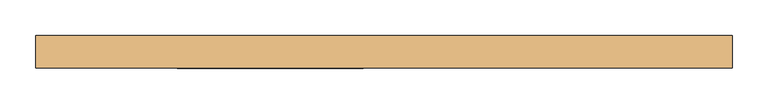
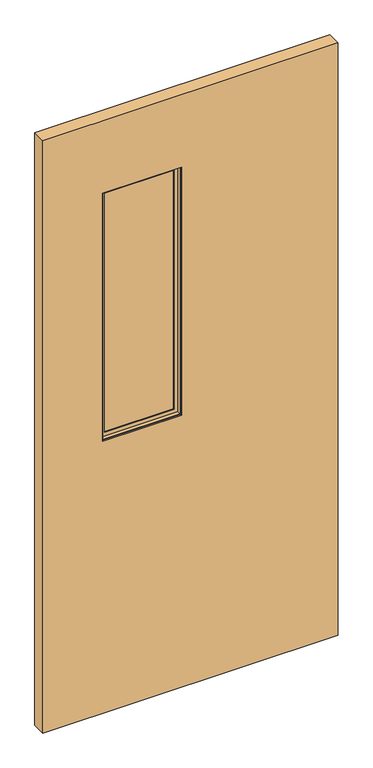
"""IFC4 building model written with IfcOpenShell, lengths in millimetres: door geometry."""

from ifc_helpers import new_model, si_unit, frame, origin, place, context, project, spatial, polyline, outline, extrude, faceted_brep, source, transform, mapped, element, save


def door_36adff39(model_context):
    return source(origin(), model_context, "Body", "SolidModel", [
        extrude(outline(polyline([(-29.4464326, -3.175), (-291.0664326, -3.175), (-291.0664326, 3.175), (-29.4464326, 3.175), (-29.4464326, -3.175)])), frame((0.0, 0.0, 968.7435027), z_axis=(0.0, 0.0, 1.0), x_axis=(1.0, 0.0, 0.0)), (0.0, 0.0, 1.0), 871.22),
        faceted_brep([(-275.1758536, 3.797467, 1824.0729238), (-275.1758536, 3.797467, 984.6340817), (-275.1758536, 6.9755828, 984.6340817), (-275.1758536, 6.9755828, 1824.0729238), (-45.3370115, 3.797467, 984.6340817), (-45.3370115, 6.9755828, 984.6340817), (-32.6245484, 6.9755828, 971.9216185), (-287.8883168, 6.9755828, 971.9216185), (-287.8883168, 6.9755828, 1836.7853869), (-32.6245484, 6.9755828, 1836.7853869), (-45.3370115, 6.9755828, 1824.0729238), (-45.3370115, 3.797467, 1824.0729238), (-291.0664326, 3.797467, 968.7435027), (-29.4464326, 3.797467, 968.7435027), (-29.4464326, 3.797467, 1839.9635027), (-291.0664326, 3.797467, 1839.9635027), (-291.0664326, 19.688046, 1839.9635027), (-291.0664326, 19.688046, 968.7435027), (-29.4464326, 19.688046, 968.7435027), (-29.4464326, 19.688046, 1839.9635027), (-287.8883168, 19.688046, 971.9216185), (-32.6245484, 19.688046, 971.9216185), (-32.6245484, 19.688046, 1836.7853869), (-287.8883168, 19.688046, 1836.7853869)], [[[0, 1, 2, 3]], [[1, 4, 5, 2]], [[6, 7, 8, 9], [2, 5, 10, 3]], [[4, 11, 10, 5]], [[12, 13, 14, 15], [4, 1, 0, 11]], [[16, 17, 12, 15]], [[17, 18, 13, 12]], [[18, 19, 14, 13]], [[18, 17, 16, 19], [20, 21, 22, 23]], [[8, 7, 20, 23]], [[7, 6, 21, 20]], [[6, 9, 22, 21]], [[11, 0, 3, 10]], [[19, 16, 15, 14]], [[9, 8, 23, 22]]]),
        faceted_brep([(-287.8883168, -19.688046, 1836.7853869), (-287.8883168, -19.688046, 971.9216185), (-287.8883168, -6.9755828, 971.9216185), (-287.8883168, -6.9755828, 1836.7853869), (-32.6245484, -19.688046, 971.9216185), (-32.6245484, -6.9755828, 971.9216185), (-32.6245484, -6.9755828, 1836.7853869), (-45.3370115, -6.9755828, 984.6340817), (-275.1758536, -6.9755828, 984.6340817), (-275.1758536, -6.9755828, 1824.0729238), (-45.3370115, -6.9755828, 1824.0729238), (-32.6245484, -19.688046, 1836.7853869), (-291.0664326, -19.688046, 968.7435027), (-29.4464326, -19.688046, 968.7435027), (-29.4464326, -19.688046, 1839.9635027), (-291.0664326, -19.688046, 1839.9635027), (-291.0664326, -3.797467, 1839.9635027), (-291.0664326, -3.797467, 968.7435027), (-29.4464326, -3.797467, 968.7435027), (-29.4464326, -3.797467, 1839.9635027), (-275.1758536, -3.797467, 984.6340817), (-45.3370115, -3.797467, 984.6340817), (-45.3370115, -3.797467, 1824.0729238), (-275.1758536, -3.797467, 1824.0729238)], [[[0, 1, 2, 3]], [[1, 4, 5, 2]], [[2, 5, 6, 3], [7, 8, 9, 10]], [[4, 11, 6, 5]], [[12, 13, 14, 15], [4, 1, 0, 11]], [[16, 17, 12, 15]], [[17, 18, 13, 12]], [[18, 19, 14, 13]], [[18, 17, 16, 19], [20, 21, 22, 23]], [[9, 8, 20, 23]], [[8, 7, 21, 20]], [[7, 10, 22, 21]], [[11, 0, 3, 6]], [[19, 16, 15, 14]], [[10, 9, 23, 22]]]),
        extrude(outline(polyline([(2093.9635027, -490.4564326), (12.7, -490.4564326), (12.7, 490.4564326), (2093.9635027, 490.4564326), (2093.9635027, -490.4564326)]), holes=[polyline([(1839.9635027, -29.4464326), (968.7435027, -29.4464326), (968.7435027, -291.0664326), (1839.9635027, -291.0664326), (1839.9635027, -29.4464326)])]), frame((0.0, -23.114, 0.0), z_axis=(0.0, 1.0, 0.0), x_axis=(0.0, 0.0, 1.0)), (0.0, 0.0, 1.0), 46.228),
        extrude(outline(polyline([(465.0564326, 9.8925062), (-465.0564326, 9.8925062), (-465.0564326, 11.4927062), (465.0564326, 11.4927062), (465.0564326, 9.8925062)])), frame((0.0, 0.0, 12.7), z_axis=(0.0, 0.0, 1.0), x_axis=(1.0, 0.0, 0.0)), (0.0, 0.0, 1.0), 254.0),
        extrude(outline(polyline([(465.0564326, 21.5634094), (-465.0564326, 21.5634094), (-465.0564326, 23.114), (465.0564326, 23.114), (465.0564326, 21.5634094)])), frame((0.0, 0.0, 12.7), z_axis=(0.0, 0.0, 1.0), x_axis=(1.0, 0.0, 0.0)), (0.0, 0.0, 1.0), 254.0),
    ])


if __name__ == "__main__":
    model = new_model("IFC4")
    model_context = context("Model", 3, world=origin())
    ifc_project = project(units=[si_unit("LENGTHUNIT", "METRE", prefix="MILLI")], contexts=[model_context])
    site = spatial("IfcSite", under=ifc_project)
    building = spatial("IfcBuilding", under=site)
    placement = place(None, origin())
    door_shape = door_36adff39(model_context)
    element("IfcDoor", 1, at=placement, inside=building, context=model_context, shape_type="MappedRepresentation", body=[
        mapped(door_shape, transform((0.0, 0.0, 0.0), x_axis=(1.0, 0.0, 0.0), y_axis=(0.0, 1.0, 0.0), z_axis=(0.0, 0.0, 1.0))),
    ])
    save(model, "model.ifc")
